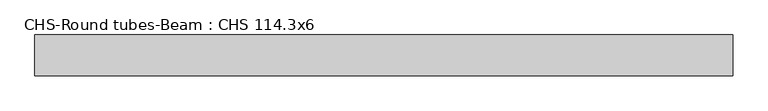
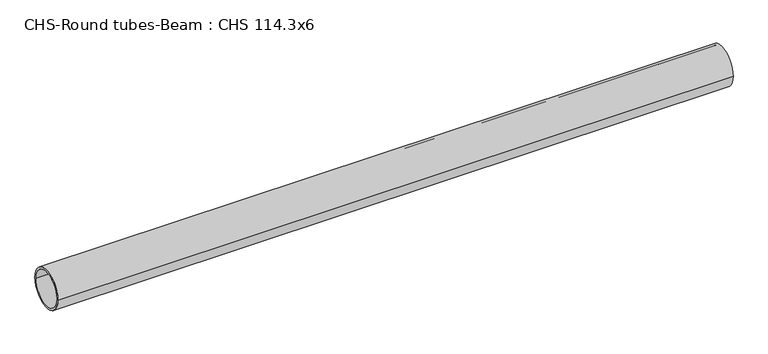
"""IFC4 building model written with IfcOpenShell, lengths in millimetres: beam geometry, CHS-Round tubes-Beam : CHS 114.3x6."""

import ifcopenshell
import ifcopenshell.guid

model = None  # the IFC model being written
_history = None  # IfcOwnerHistory: only IFC2X3 demands one
_inside = {}  # id of a spatial element -> (the spatial element, [elements in it])
_under = {}  # id of a project, library or spatial element -> (it, [spatial elements below it])
_declared = {}  # id of a project -> (the project, [libraries it declares])
_typed = {}  # id of a type object -> (the type object, [elements of that type])
_made_of = {}  # id of a material, layer set ... -> (it, [elements and type objects made of it])


def new_model(schema):
    """Start an empty IFC model of exactly this schema.

    Asked for "IFC4X3", IfcOpenShell would pick the latest addendum, in which some entities
    have other attributes; the version numbers below select the first issue.
    IFC2X3 requires an IfcOwnerHistory on every rooted entity: one is made here for all.
    """
    global model, _history
    if schema == "IFC4X3":
        model = ifcopenshell.file(schema_version=(4, 3, 0, 0))
    else:
        model = ifcopenshell.file(schema=schema)
    _inside.clear()
    _under.clear()
    _declared.clear()
    _typed.clear()
    _made_of.clear()
    _history = None
    if model.schema == "IFC2X3":
        org = make("IfcOrganization", Name="unknown")
        user = make(
            "IfcPersonAndOrganization",
            ThePerson=make("IfcPerson", FamilyName="unknown"),
            TheOrganization=org,
        )
        app = make(
            "IfcApplication",
            ApplicationDeveloper=org,
            Version="unknown",
            ApplicationFullName="unknown",
            ApplicationIdentifier="unknown",
        )
        _history = make(
            "IfcOwnerHistory",
            OwningUser=user,
            OwningApplication=app,
            ChangeAction="ADDED",
            CreationDate=0,
        )
    return model


def make(cls, **values):
    """One entity of the class cls with the attributes given. An attribute that is None is left unset."""
    return model.create_entity(
        cls, **{name: value for name, value in values.items() if value is not None}
    )


def rooted(cls, **values):
    """An entity with a GlobalId (a new one), such as an element, a storey or a relation."""
    return make(cls, GlobalId=ifcopenshell.guid.new(), OwnerHistory=_history, **values)


def si_unit(unit_type, name, prefix=None):
    """IfcSIUnit, for example si_unit("LENGTHUNIT", "METRE", prefix="MILLI")."""
    return make("IfcSIUnit", UnitType=unit_type, Prefix=prefix, Name=name)


def assignment(units):
    """IfcUnitAssignment: the units of a project."""
    return None if units is None else make("IfcUnitAssignment", Units=units)


def point(xyz):
    """IfcCartesianPoint."""
    return None if xyz is None else make("IfcCartesianPoint", Coordinates=xyz)


def direction(xyz):
    """IfcDirection."""
    return None if xyz is None else make("IfcDirection", DirectionRatios=xyz)


def frame(location, z_axis=None, x_axis=None):
    """IfcAxis2Placement3D, a coordinate frame: its origin and axes. An axis left out is left unset."""
    return make(
        "IfcAxis2Placement3D",
        Location=point(location),
        Axis=direction(z_axis),
        RefDirection=direction(x_axis),
    )


def frame_2d(location, x_axis=None):
    """IfcAxis2Placement2D, a coordinate frame in the plane: its origin and x axis."""
    return make(
        "IfcAxis2Placement2D", Location=point(location), RefDirection=direction(x_axis)
    )


def origin():
    """The frame at (0, 0, 0) with its axes left unset."""
    return frame((0.0, 0.0, 0.0))


def origin_2d():
    """The frame at (0, 0) in the plane with its x axis left unset."""
    return frame_2d((0.0, 0.0))


def place(relative_to, where):
    """IfcLocalPlacement: puts the frame where relative to a parent placement (None: the world)."""
    return make(
        "IfcLocalPlacement", PlacementRelTo=relative_to, RelativePlacement=where
    )


def context(
    kind, dimensions, precision=None, world=None, true_north=None, identifier=None
):
    """IfcGeometricRepresentationContext, for example the 3D "Model" context."""
    return make(
        "IfcGeometricRepresentationContext",
        ContextIdentifier=identifier,
        ContextType=kind,
        CoordinateSpaceDimension=dimensions,
        Precision=precision,
        WorldCoordinateSystem=world,
        TrueNorth=true_north,
    )


def project(units=None, contexts=None):
    """IfcProject with its units and contexts."""
    return rooted(
        "IfcProject",
        Name="project",
        RepresentationContexts=contexts,
        UnitsInContext=assignment(units),
    )


def spatial(cls, under=None, at=None, **own):
    """A site, building, storey or space (cls), placed at a placement, below another one or the project."""
    s = rooted(cls, ObjectPlacement=at, **own)
    if under is not None:
        _under.setdefault(under.id(), (under, []))[1].append(s)
    return s


def circle_curve(where, radius):
    """IfcCircle in the frame where."""
    return make("IfcCircle", Position=where, Radius=radius)


def trimmed(basis, trim1, trim2, sense, master):
    """IfcTrimmedCurve: the piece of a basis curve between two trims."""
    return make(
        "IfcTrimmedCurve",
        BasisCurve=basis,
        Trim1=trim1,
        Trim2=trim2,
        SenseAgreement=sense,
        MasterRepresentation=master,
    )


def segment(curve, same_sense, transition):
    """IfcCompositeCurveSegment."""
    return make(
        "IfcCompositeCurveSegment",
        Transition=transition,
        SameSense=same_sense,
        ParentCurve=curve,
    )


def composite_curve(segments, self_intersect=None):
    """IfcCompositeCurve: segments joined end to end."""
    return make("IfcCompositeCurve", Segments=segments, SelfIntersect=self_intersect)


def outline(outer, holes=None, kind="AREA"):
    """IfcArbitraryClosedProfileDef: a profile drawn as a closed curve; with holes, ...WithVoids."""
    if holes is None:
        return make("IfcArbitraryClosedProfileDef", ProfileType=kind, OuterCurve=outer)
    return make(
        "IfcArbitraryProfileDefWithVoids",
        ProfileType=kind,
        OuterCurve=outer,
        InnerCurves=holes,
    )


def extrude(swept, where, along, depth):
    """IfcExtrudedAreaSolid: the profile swept, set in the frame where, extruded along a direction by depth."""
    return make(
        "IfcExtrudedAreaSolid",
        SweptArea=swept,
        Position=where,
        ExtrudedDirection=direction(along),
        Depth=depth,
    )


def shape(context_of_items, identifier, shape_type, items):
    """IfcShapeRepresentation: the items that make up one representation, for example the "Body"."""
    return make(
        "IfcShapeRepresentation",
        ContextOfItems=context_of_items,
        RepresentationIdentifier=identifier,
        RepresentationType=shape_type,
        Items=items,
    )


def source(mapping_origin, context_of_items, identifier, shape_type, items):
    """IfcRepresentationMap: a shape defined once, which mapped items show again and again."""
    return make(
        "IfcRepresentationMap",
        MappingOrigin=mapping_origin,
        MappedRepresentation=shape(context_of_items, identifier, shape_type, items),
    )


def transform(
    local_origin,
    x_axis=None,
    y_axis=None,
    z_axis=None,
    scale=None,
    scale2=None,
    scale3=None,
    uniform=True,
):
    """IfcCartesianTransformationOperator3D, or its non-uniform kind. x_axis, y_axis, z_axis: its Axis1, 2, 3."""
    if uniform:
        return make(
            "IfcCartesianTransformationOperator3D",
            Axis1=direction(x_axis),
            Axis2=direction(y_axis),
            LocalOrigin=point(local_origin),
            Scale=scale,
            Axis3=direction(z_axis),
        )
    return make(
        "IfcCartesianTransformationOperator3DnonUniform",
        Axis1=direction(x_axis),
        Axis2=direction(y_axis),
        LocalOrigin=point(local_origin),
        Scale=scale,
        Axis3=direction(z_axis),
        Scale2=scale2,
        Scale3=scale3,
    )


def mapped(mapping_source, mapping_target):
    """IfcMappedItem: shows the shape of a source again, moved by a transform."""
    return make(
        "IfcMappedItem", MappingSource=mapping_source, MappingTarget=mapping_target
    )


def made_of(thing, what):
    """Note that an element or type object is made of a material, layer set ...; save() writes the relation."""
    if what is not None:
        _made_of.setdefault(what.id(), (what, []))[1].append(thing)
    return thing


def element(
    cls,
    number,
    at=None,
    inside=None,
    cuts=None,
    type_object=None,
    material=None,
    context=None,
    identifier="Body",
    shape_type=None,
    held_by="IfcProductDefinitionShape",
    body=None,
    shapes=None,
    **own,
):
    """One element of the class cls, such as IfcWall. Its Tag is "e" and its number.

    at: its placement. inside: the storey or other place that contains it. cuts: it is an
    opening in that element (IfcRelVoidsElement). A single representation is given by context,
    identifier, shape_type and body (its items); several are given by shapes. held_by: the class
    of the entity that holds the representations. save() writes the other relations.
    """
    e = rooted(cls, Tag="e%d" % number, ObjectPlacement=at, **own)
    if body is not None:
        shapes = [shape(context, identifier, shape_type, body)]
    if shapes is not None:
        e.Representation = make(held_by, Representations=shapes)
    if inside is not None:
        _inside.setdefault(inside.id(), (inside, []))[1].append(e)
    if cuts is not None:
        rooted(
            "IfcRelVoidsElement", RelatingBuildingElement=cuts, RelatedOpeningElement=e
        )
    if type_object is not None:
        _typed.setdefault(type_object.id(), (type_object, []))[1].append(e)
    return made_of(e, material)


def aggregate(whole, parts):
    """IfcRelAggregates: a whole, such as a stair, and the parts it consists of."""
    return rooted("IfcRelAggregates", RelatingObject=whole, RelatedObjects=parts)


def save(model, path):
    """Write the relations noted so far, then the file.

    IfcRelAggregates (storeys below a building ...), IfcRelContainedInSpatialStructure (elements
    in a storey), IfcRelDefinesByType, IfcRelAssociatesMaterial and IfcRelDeclares: one each for
    every whole, place, type object, material and project.
    """
    for whole, parts in _under.values():
        aggregate(whole, parts)
    for where, things in _inside.values():
        rooted(
            "IfcRelContainedInSpatialStructure",
            RelatedElements=things,
            RelatingStructure=where,
        )
    for kind, things in _typed.values():
        rooted("IfcRelDefinesByType", RelatedObjects=things, RelatingType=kind)
    for what, things in _made_of.values():
        rooted("IfcRelAssociatesMaterial", RelatedObjects=things, RelatingMaterial=what)
    for by, libraries in _declared.values():
        rooted("IfcRelDeclares", RelatingContext=by, RelatedDefinitions=libraries)
    model.write(path)


def chs_round_tubes_beam_chs_114_3x6_0d9a96b4(model_context):
    return source(origin(), model_context, "Body", "SweptSolid", [
        extrude(outline(composite_curve([segment(trimmed(circle_curve(origin_2d(), 57.15), [point((57.15, 0.0))], [point((-57.15, 0.0))], False, "CARTESIAN"), True, "CONTINUOUS"), segment(trimmed(circle_curve(origin_2d(), 57.15), [point((-57.15, 0.0))], [point((57.15, 0.0))], False, "CARTESIAN"), True, "CONTINUOUS")], self_intersect=False), holes=[composite_curve([segment(trimmed(circle_curve(origin_2d(), 51.15), [point((51.15, 0.0))], [point((-51.15, 0.0))], True, "CARTESIAN"), True, "CONTINUOUS"), segment(trimmed(circle_curve(origin_2d(), 51.15), [point((-51.15, 0.0))], [point((51.15, 0.0))], True, "CARTESIAN"), True, "CONTINUOUS")], self_intersect=False)]), frame((-978.0063204, 0.0, 0.0), z_axis=(1.0, 0.0, 0.0), x_axis=(0.0, 1.0, 0.0)), (0.0, 0.0, 1.0), 1945.8849528),
    ])


if __name__ == "__main__":
    model = new_model("IFC4")
    model_context = context("Model", 3, world=origin())
    ifc_project = project(units=[si_unit("LENGTHUNIT", "METRE", prefix="MILLI")], contexts=[model_context])
    site = spatial("IfcSite", under=ifc_project)
    building = spatial("IfcBuilding", under=site)
    placement = place(None, origin())
    chs_round_tubes_beam_chs_114_3x6_shape = chs_round_tubes_beam_chs_114_3x6_0d9a96b4(model_context)
    element("IfcBeam", 1, ObjectType="CHS-Round tubes-Beam : CHS 114.3x6", at=placement, inside=building, context=model_context, shape_type="MappedRepresentation", body=[
        mapped(chs_round_tubes_beam_chs_114_3x6_shape, transform((0.0, 0.0, 0.0), x_axis=(1.0, 0.0, 0.0), y_axis=(0.0, 1.0, 0.0), z_axis=(0.0, 0.0, 1.0))),
    ])
    save(model, "model.ifc")
